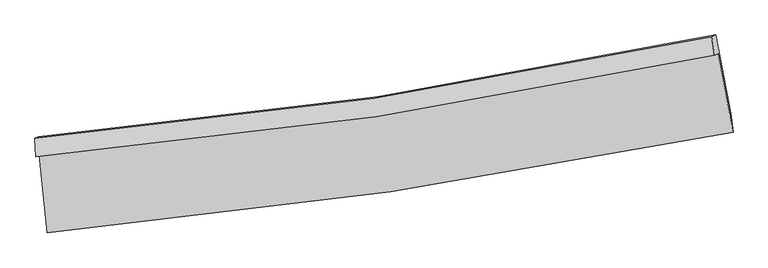
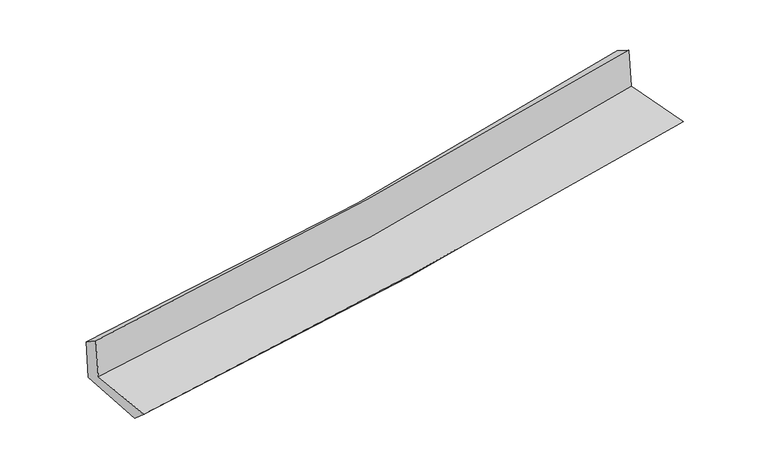
"""IFC4 building model written with IfcOpenShell, lengths in millimetres: proxy geometry."""

from ifc_helpers import new_model, si_unit, frame, origin, place, context, project, spatial, source, transform, mapped, element, save
from ifc_brep_helpers import plane_surface, spline_curve, spline_surface, advanced_brep


def generic_models_5b84bf14(model_context):
    return source(origin(), model_context, "Body", "AdvancedBrep", [
        advanced_brep(
        [(-2879.87889, -1901.8306939, 1647.932215), (-2814.0759541, -2556.6911912, 1631.2897622), (2957.2208853, -1711.0206331, 2128.9093352), (2831.2580024, -1049.6493256, 2141.0202263), (-2910.6172523, -1914.8159812, 2037.3506061), (2800.3209298, -1062.7185573, 2532.9560409), (-2917.3838921, -1759.5758524, 1933.8642172), (2778.6028595, -904.7814545, 2437.738346), (-2886.9732163, -1746.7289948, 1548.5972223), (2810.6247996, -891.2539254, 2032.0585545), (-2817.8701061, -2413.3210158, 1505.8542266), (2938.5259896, -1551.2271868, 1994.1079419)],
        [
            (0, 1),
            (1, 2, spline_curve(3, [(-2814.0759541, -2556.6911912, 1631.2897622), (-1848.805790023, -2467.614656291, 1725.944403712), (-886.435767229, -2352.846704917, 1814.65041567), (1037.359271614, -2071.217193277, 1980.583963562), (1998.754862042, -1904.094958331, 2057.751142669), (2957.2208853, -1711.0206331, 2128.9093352)], [4, 2, 4], [0.0, 9.53555313669994, 19.11935973004264])),
            (2, 3),
            (3, 0, spline_curve(3, [(2831.2580024, -1049.6493256, 2141.0202263), (1886.162665903, -1251.014940862, 2056.533379667), (936.474212755, -1422.81766768, 1973.098231606), (-967.284220174, -1706.58118092, 1808.746124983), (-1921.308064184, -1818.838910509, 1727.818602478), (-2879.87889, -1901.8306939, 1647.932215)], [4, 2, 4], [0.0, 9.583806593342699, 19.11935973004264])),
            (4, 0),
            (3, 5),
            (5, 4, spline_curve(3, [(2800.3209298, -1062.7185573, 2532.9560409), (1854.307606556, -1264.471972201, 2460.098993826), (904.177960973, -1436.461078496, 2382.253224286), (-999.509445848, -1720.194587428, 2217.001304053), (-1953.025861254, -1832.237955623, 2129.64526163), (-2910.6172523, -1914.8159812, 2037.3506061)], [4, 2, 4], [0.0, 9.536212237262259, 19.024410650451053])),
            (6, 4),
            (5, 7),
            (7, 6, spline_curve(3, [(2778.6028595, -904.7814545, 2437.738346), (1837.167887005, -1107.827300258, 2343.446845517), (890.573889511, -1280.686875111, 2254.218357229), (-1008.140180697, -1565.315136836, 2086.311169677), (-1960.208433459, -1677.387028277, 2007.581614893), (-2917.3838921, -1759.5758524, 1933.8642172)], [4, 2, 4], [0.0, 9.525122964806084, 19.00228793885738])),
            (8, 6),
            (7, 9),
            (9, 8, spline_curve(3, [(2810.6247996, -891.2539254, 2032.0585545), (1868.137787818, -1094.744200756, 1951.095138393), (920.884147346, -1267.882438602, 1870.223537209), (-978.363069376, -1552.73592592, 1709.070682306), (-1930.308767589, -1664.756044311, 1628.788506077), (-2886.9732163, -1746.7289948, 1548.5972223)], [4, 2, 4], [0.0, 9.51403720627494, 18.980172237421527])),
            (10, 8),
            (9, 11),
            (11, 10, spline_curve(3, [(2938.5259896, -1551.2271868, 1994.1079419), (1984.79722608, -1752.491605486, 1912.495497605), (1027.012292043, -1925.074074716, 1830.898817711), (-891.827148202, -2212.150590525, 1668.147737606), (-1852.840912807, -2326.932730795, 1586.99317909), (-2817.8701061, -2413.3210158, 1505.8542266)], [4, 2, 4], [0.0, 9.56242309862351, 19.076700404247646])),
            (1, 10),
            (11, 2),
        ],
        [
            spline_surface(3, 3, [[(-2879.87889, -1901.8306939, 1647.932215), (-1921.308064278, -1818.838910464, 1727.818602508), (-967.284220086, -1706.581181022, 1808.746124953), (936.474212667, -1422.817667577, 1973.098231636), (1886.162665932, -1251.014940881, 2056.533379679), (2831.2580024, -1049.6493256, 2141.0202263)], [(-2857.944578022, -2120.117526343, 1642.384730715), (-1897.140639552, -2035.097492402, 1727.193869577), (-940.334735833, -1922.003022358, 1810.714221865), (970.102565666, -1638.950842775, 1975.593475621), (1923.693397957, -1468.708280025, 2056.939300689), (2873.245630039, -1270.106428073, 2136.983262614)], [(-2836.010266078, -2338.404358757, 1636.837246485), (-1872.97321486, -2251.356074312, 1726.569136701), (-913.385251555, -2137.42486369, 1812.682318752), (1003.730918689, -1855.08401797, 1978.088719583), (1961.224129966, -1686.401619252, 2057.345221656), (2915.233257661, -1490.563530627, 2132.946298886)], [(-2814.0759541, -2556.6911912, 1631.2897622), (-1848.805790134, -2467.614656251, 1725.94440377), (-886.435767302, -2352.846705026, 1814.650415664), (1037.359271688, -2071.217193168, 1980.583963568), (1998.754861991, -1904.094958396, 2057.751142665), (2957.2208853, -1711.0206331, 2128.9093352)]], [4, 4], [4, 2, 4], [0.0, 2.1447693794800524], [0.0, 9.53555313669994, 19.11935973004264]),
            spline_surface(3, 3, [[(-2910.6172523, -1914.8159812, 2037.3506061), (-1953.025861163, -1832.237955639, 2129.645261721), (-999.509445849, -1720.194587387, 2217.00130391), (904.177960975, -1436.461078537, 2382.25322443), (1854.307606405, -1264.471972161, 2460.098993838), (2800.3209298, -1062.7185573, 2532.9560409)], [(-2900.371131549, -1910.487552102, 1907.544475744), (-1942.453262217, -1827.771607249, 1995.703041994), (-988.767703916, -1715.656785279, 2080.916244257), (914.943378218, -1431.913274897, 2245.868226831), (1864.925959593, -1259.986295091, 2325.577122432), (2810.633287346, -1058.362146756, 2402.310769348)], [(-2890.125010751, -1906.159122998, 1777.738345356), (-1931.880663224, -1823.305258854, 1861.760822235), (-978.02596202, -1711.118983131, 1944.831184607), (925.708795424, -1427.365471217, 2109.483229235), (1875.544312744, -1255.500617952, 2191.055251084), (2820.945644854, -1054.005736144, 2271.665497852)], [(-2879.87889, -1901.8306939, 1647.932215), (-1921.308064278, -1818.838910464, 1727.818602508), (-967.284220086, -1706.581181022, 1808.746124953), (936.474212667, -1422.817667577, 1973.098231636), (1886.162665932, -1251.014940881, 2056.533379679), (2831.2580024, -1049.6493256, 2141.0202263)]], [4, 4], [4, 2, 4], [0.0, 1.3458168065829272], [0.0, 9.488198413188794, 19.024410650451053]),
            spline_surface(3, 3, [[(-2917.3838921, -1759.5758524, 1933.8642172), (-1960.20843342, -1677.387028154, 2007.581614863), (-1008.140180623, -1565.31513687, 2086.311169543), (890.573889437, -1280.686875076, 2254.218357363), (1837.167887153, -1107.827300377, 2343.446845607), (2778.6028595, -904.7814545, 2437.738346)], [(-2915.128345475, -1811.322561988, 1968.359680176), (-1957.814242643, -1729.004003971, 2048.269497158), (-1005.263269015, -1616.941620365, 2129.87454767), (895.108579966, -1332.611609553, 2296.89664639), (1842.881126895, -1160.04219095, 2382.330895023), (2785.842216259, -957.427155411, 2469.477577639)], [(-2912.872798925, -1863.069271612, 2002.855143124), (-1955.42005194, -1780.620979822, 2088.957379426), (-1002.386357456, -1668.568103892, 2173.437925783), (899.643270446, -1384.536344061, 2339.574935403), (1848.594366662, -1212.257081589, 2421.214944422), (2793.081573041, -1010.072856389, 2501.216809261)], [(-2910.6172523, -1914.8159812, 2037.3506061), (-1953.025861163, -1832.237955639, 2129.645261721), (-999.509445849, -1720.194587387, 2217.00130391), (904.177960975, -1436.461078537, 2382.25322443), (1854.307606405, -1264.471972161, 2460.098993838), (2800.3209298, -1062.7185573, 2532.9560409)]], [4, 4], [4, 2, 4], [0.0, 0.6641888131741847], [0.0, 9.477164974051295, 19.00228793885738]),
            spline_surface(3, 3, [[(-2886.9732163, -1746.7289948, 1548.5972223), (-1930.308767524, -1664.756044461, 1628.788505949), (-978.363069388, -1552.735925906, 1709.070682185), (920.884147358, -1267.882438616, 1870.22353733), (1868.137787855, -1094.744200739, 1951.095138549), (2810.6247996, -891.2539254, 2032.0585545)], [(-2897.110108243, -1751.011280664, 1677.019553912), (-1940.275322832, -1668.966372356, 1755.052875566), (-988.28877314, -1556.928996239, 1834.817511312), (910.780728044, -1272.150584114, 1998.221810682), (1857.814487621, -1099.105233974, 2081.879040913), (2799.950819567, -895.763101789, 2167.285151678)], [(-2907.247000157, -1755.293566536, 1805.441885588), (-1950.241878112, -1673.176700259, 1881.317245246), (-998.214476871, -1561.122066538, 1960.564340416), (900.677308752, -1276.418729578, 2126.220084012), (1847.491187387, -1103.466267142, 2212.662943243), (2789.276839533, -900.272278111, 2302.511748822)], [(-2917.3838921, -1759.5758524, 1933.8642172), (-1960.20843342, -1677.387028154, 2007.581614863), (-1008.140180623, -1565.31513687, 2086.311169543), (890.573889437, -1280.686875076, 2254.218357363), (1837.167887153, -1107.827300377, 2343.446845607), (2778.6028595, -904.7814545, 2437.738346)]], [4, 4], [4, 2, 4], [0.0, 1.2533780941922033], [0.0, 9.466135031146587, 18.980172237421527]),
            spline_surface(3, 3, [[(-2817.8701061, -2413.3210158, 1505.8542266), (-1852.840912927, -2326.932730799, 1586.993179112), (-891.827148332, -2212.1505904, 1668.147737613), (1027.012292174, -1925.074074841, 1830.898817704), (1984.797226184, -1752.491605551, 1912.495497634), (2938.5259896, -1551.2271868, 1994.1079419)], [(-2840.904476179, -2191.123675487, 1520.101891838), (-1878.663531138, -2106.207168706, 1600.924954729), (-920.672455351, -1992.345702234, 1681.788719141), (991.636243902, -1706.010196098, 1844.007057584), (1945.910746748, -1533.242470606, 1925.362044582), (2895.892259607, -1331.236099659, 2006.758146076)], [(-2863.938846221, -1968.926335113, 1534.349557062), (-1904.486149312, -1885.481606554, 1614.856730332), (-949.51776237, -1772.540814073, 1695.429700657), (956.26019563, -1486.946317359, 1857.115297451), (1907.024267292, -1313.993335684, 1938.228591601), (2853.258529593, -1111.245012541, 2019.408350324)], [(-2886.9732163, -1746.7289948, 1548.5972223), (-1930.308767524, -1664.756044461, 1628.788505949), (-978.363069388, -1552.735925906, 1709.070682185), (920.884147358, -1267.882438616, 1870.22353733), (1868.137787855, -1094.744200739, 1951.095138549), (2810.6247996, -891.2539254, 2032.0585545)]], [4, 4], [4, 2, 4], [0.0, 2.1867596151819035], [0.0, 9.514277305624136, 19.076700404247646]),
            spline_surface(3, 3, [[(-2814.0759541, -2556.6911912, 1631.2897622), (-1848.805790134, -2467.614656251, 1725.94440377), (-886.435767302, -2352.846705026, 1814.650415664), (1037.359271688, -2071.217193168, 1980.583963568), (1998.754861991, -1904.094958396, 2057.751142665), (2957.2208853, -1711.0206331, 2128.9093352)], [(-2815.340671432, -2508.901132717, 1589.477917015), (-1850.150831063, -2420.720681084, 1679.627328899), (-888.232894325, -2305.948000138, 1765.816189624), (1033.910278503, -2022.50282038, 1930.688914924), (1994.102316706, -1853.56050746, 2009.332594333), (2950.989253383, -1657.756151013, 2083.975537445)], [(-2816.605388768, -2461.111074283, 1547.666071785), (-1851.495871997, -2373.826705966, 1633.310253983), (-890.030021309, -2259.049295288, 1716.981963652), (1030.461285358, -1973.78844763, 1880.793866348), (1989.44977147, -1803.026056487, 1960.914045966), (2944.757621517, -1604.491668887, 2039.041739655)], [(-2817.8701061, -2413.3210158, 1505.8542266), (-1852.840912927, -2326.932730799, 1586.993179112), (-891.827148332, -2212.1505904, 1668.147737613), (1027.012292174, -1925.074074841, 1830.898817704), (1984.797226184, -1752.491605551, 1912.495497634), (2938.5259896, -1551.2271868, 1994.1079419)]], [4, 4], [4, 2, 4], [0.0, 0.6769146185472275], [0.0, 9.572744033362328, 19.193929723180666]),
            plane_surface(frame((2852.758911, -1195.1085138, 2211.1317408), z_axis=(0.9791945548486529, 0.1849662941022802, 0.0834595339120538), x_axis=(-0.0786458280520785, -0.03322358762400921, 0.9963488480223143))),
            plane_surface(frame((-2871.1332185, -2048.8272882, 1717.4813749), z_axis=(-0.9918795984590424, -0.09759550477534443, -0.08154740712232876), x_axis=(-0.09994846618105331, 0.9946714586601619, 0.02527831946393372))),
        ],
        [
            (0, [[1, 2, 3, 4]]),
            (1, [[5, -4, 6, 7]]),
            (2, [[8, -7, 9, 10]]),
            (3, [[11, -10, 12, 13]]),
            (4, [[14, -13, 15, 16]]),
            (5, [[17, -16, 18, -2]]),
            (6, [[-12, -9, -6, -3, -18, -15]]),
            (7, [[-1, -5, -8, -11, -14, -17]]),
        ],
    ),
    ])


if __name__ == "__main__":
    model = new_model("IFC4")
    model_context = context("Model", 3, world=origin())
    ifc_project = project(units=[si_unit("LENGTHUNIT", "METRE", prefix="MILLI")], contexts=[model_context])
    site = spatial("IfcSite", under=ifc_project)
    building = spatial("IfcBuilding", under=site)
    placement = place(None, origin())
    generic_models_shape = generic_models_5b84bf14(model_context)
    element("IfcBuildingElementProxy", 1, Name="Generic Models", at=placement, inside=building, context=model_context, shape_type="MappedRepresentation", body=[
        mapped(generic_models_shape, transform((0.0, 0.0, 0.0), x_axis=(1.0, 0.0, 0.0), y_axis=(0.0, 1.0, 0.0), z_axis=(0.0, 0.0, 1.0))),
    ])
    save(model, "model.ifc")
